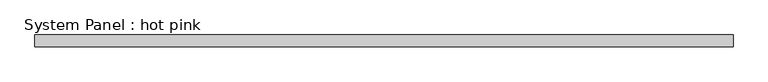
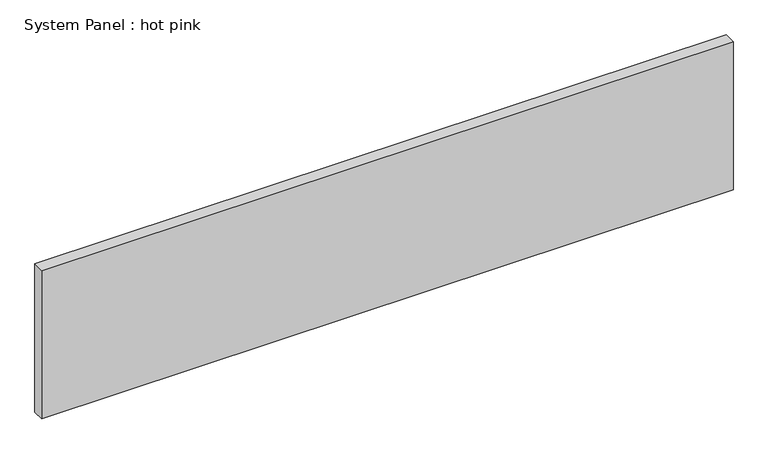
"""IFC4 building model written with IfcOpenShell, lengths in millimetres: plate geometry, System Panel : hot pink."""

from ifc_helpers import new_model, si_unit, origin, origin_with_axes, place, context, project, spatial, polyline, outline, extrude, source, transform, mapped, element, save


def system_panel_hot_pink_29cf1fce(model_context):
    return source(origin(), model_context, "Body", "SweptSolid", [
        extrude(outline(polyline([(1876.0262313, -19.05), (-1876.0262313, -19.05), (-1876.0262313, 44.45), (1876.0262313, 44.45), (1876.0262313, -19.05)])), origin_with_axes(), (0.0, 0.0, 1.0), 850.9),
    ])


if __name__ == "__main__":
    model = new_model("IFC4")
    model_context = context("Model", 3, world=origin())
    ifc_project = project(units=[si_unit("LENGTHUNIT", "METRE", prefix="MILLI")], contexts=[model_context])
    site = spatial("IfcSite", under=ifc_project)
    building = spatial("IfcBuilding", under=site)
    placement = place(None, origin())
    system_panel_hot_pink_shape = system_panel_hot_pink_29cf1fce(model_context)
    element("IfcPlate", 1, ObjectType="System Panel : hot pink", at=placement, inside=building, context=model_context, shape_type="MappedRepresentation", body=[
        mapped(system_panel_hot_pink_shape, transform((0.0, 0.0, 0.0), x_axis=(1.0, 0.0, 0.0), y_axis=(0.0, 1.0, 0.0), z_axis=(0.0, 0.0, 1.0))),
    ])
    save(model, "model.ifc")
